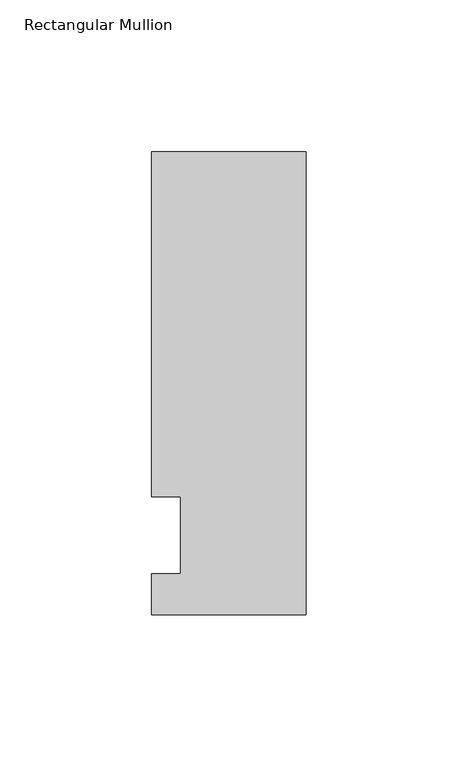
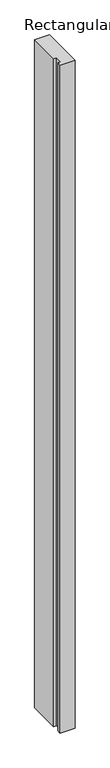
"""IFC4 building model written with IfcOpenShell, lengths in millimetres: member geometry, Rectangular Mullion."""

from ifc_helpers import new_model, si_unit, frame, origin, place, context, project, spatial, polyline, outline, extrude, source, transform, mapped, element, save


def rectangular_mullion_34ea0180(model_context):
    return source(origin(), model_context, "Body", "SweptSolid", [
        extrude(outline(polyline([(-50.8, -26.19375), (-50.8, -12.7), (-41.275, -12.7), (-41.275, 12.7), (-50.8, 12.7), (-50.8, 126.20625), (0.0, 126.20625), (0.0, -26.19375), (-50.8, -26.19375)])), frame((0.0, 0.0, -2438.4), z_axis=(0.0, 0.0, 1.0), x_axis=(1.0, 0.0, 0.0)), (0.0, 0.0, 1.0), 2438.4),
    ])


if __name__ == "__main__":
    model = new_model("IFC4")
    model_context = context("Model", 3, world=origin())
    ifc_project = project(units=[si_unit("LENGTHUNIT", "METRE", prefix="MILLI")], contexts=[model_context])
    site = spatial("IfcSite", under=ifc_project)
    building = spatial("IfcBuilding", under=site)
    placement = place(None, origin())
    rectangular_mullion_shape = rectangular_mullion_34ea0180(model_context)
    element("IfcMember", 1, ObjectType="Rectangular Mullion", at=placement, inside=building, context=model_context, shape_type="MappedRepresentation", body=[
        mapped(rectangular_mullion_shape, transform((0.0, 0.0, 0.0), x_axis=(1.0, 0.0, 0.0), y_axis=(0.0, 1.0, 0.0), z_axis=(0.0, 0.0, 1.0))),
    ])
    save(model, "model.ifc")
